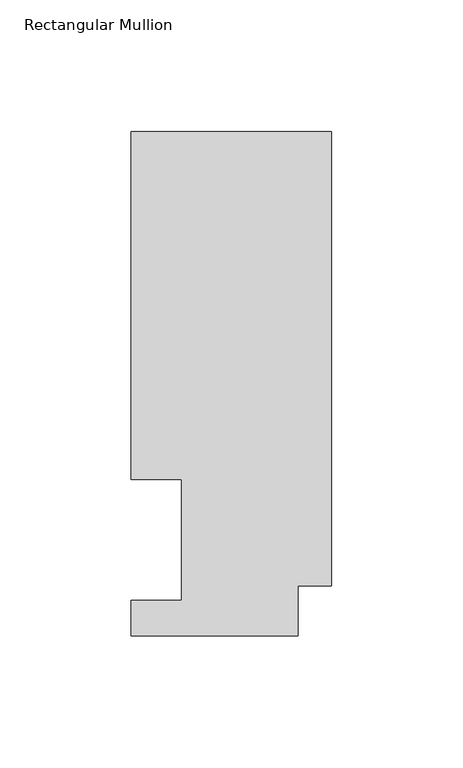
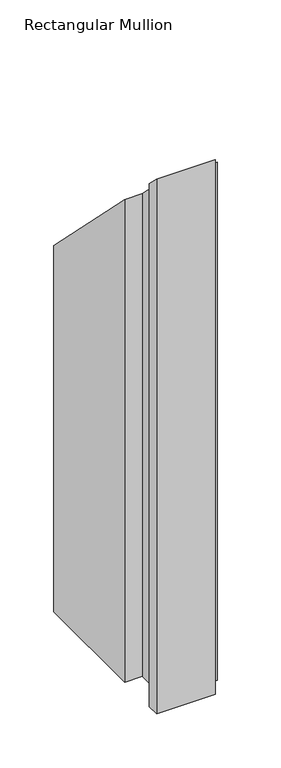
"""IFC4 building model written with IfcOpenShell, lengths in millimetres: member geometry, Rectangular Mullion."""

from ifc_helpers import new_model, si_unit, origin, place, context, project, spatial, faceted_brep, source, transform, mapped, element, save


def rectangular_mullion_87234a2b(model_context):
    return source(origin(), model_context, "Body", "Brep", [
        faceted_brep([(-76.2, 192.09385, -609.6), (0.0, 192.09385, -609.6), (0.0, 19.06905, -609.6), (-12.7, 19.06905, -609.6), (-12.7, 0.04445, -609.6), (-76.2, 0.04445, -609.6), (-76.2, 13.50645, -609.6), (-57.15, 13.50645, -609.6), (-57.15, 59.53125, -609.6), (-76.2, 59.53125, -609.6), (-76.2, 59.53125, -59.53125), (-76.2, 192.09385, -192.09385), (-57.15, 59.53125, -59.53125), (-57.15, 13.50645, -13.50645), (-76.2, 13.50645, -13.50645), (-76.2, 0.04445, -0.04445), (-12.7, 0.04445, -0.04445), (-12.7, 19.06905, -19.06905), (0.0, 19.06905, -19.06905), (0.0, 192.09385, -192.09385)], [[[0, 1, 2, 3, 4, 5, 6, 7, 8, 9]], [[10, 11, 0, 9]], [[12, 10, 9, 8]], [[13, 12, 8, 7]], [[14, 13, 7, 6]], [[15, 14, 6, 5]], [[16, 15, 5, 4]], [[17, 16, 4, 3]], [[18, 17, 3, 2]], [[19, 18, 2, 1]], [[11, 19, 1, 0]], [[11, 10, 12, 13, 14, 15, 16, 17, 18, 19]]]),
    ])


if __name__ == "__main__":
    model = new_model("IFC4")
    model_context = context("Model", 3, world=origin())
    ifc_project = project(units=[si_unit("LENGTHUNIT", "METRE", prefix="MILLI")], contexts=[model_context])
    site = spatial("IfcSite", under=ifc_project)
    building = spatial("IfcBuilding", under=site)
    placement = place(None, origin())
    rectangular_mullion_shape = rectangular_mullion_87234a2b(model_context)
    element("IfcMember", 1, ObjectType="Rectangular Mullion", at=placement, inside=building, context=model_context, shape_type="MappedRepresentation", body=[
        mapped(rectangular_mullion_shape, transform((0.0, 0.0, 0.0), x_axis=(1.0, 0.0, 0.0), y_axis=(0.0, 1.0, 0.0), z_axis=(0.0, 0.0, 1.0))),
    ])
    save(model, "model.ifc")
